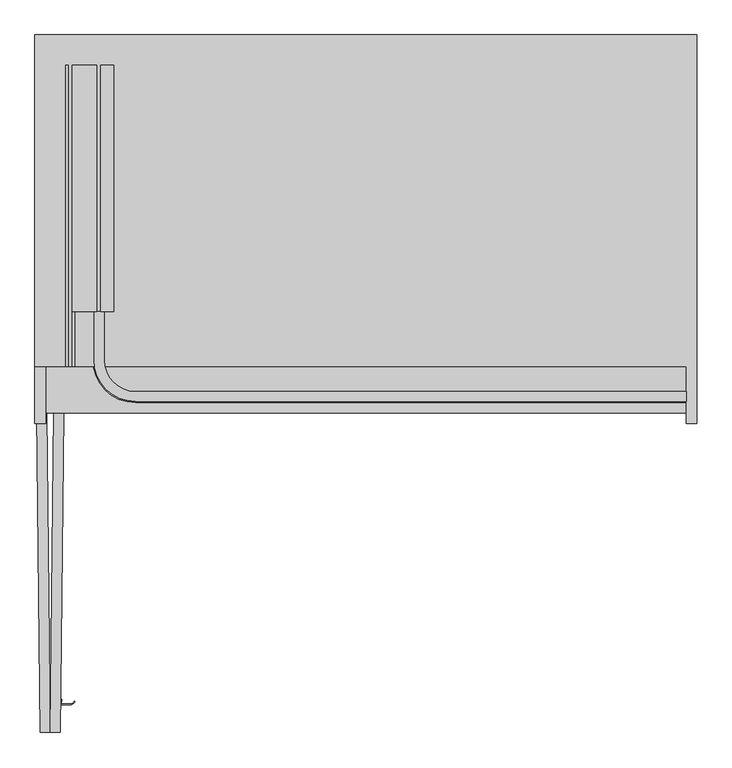
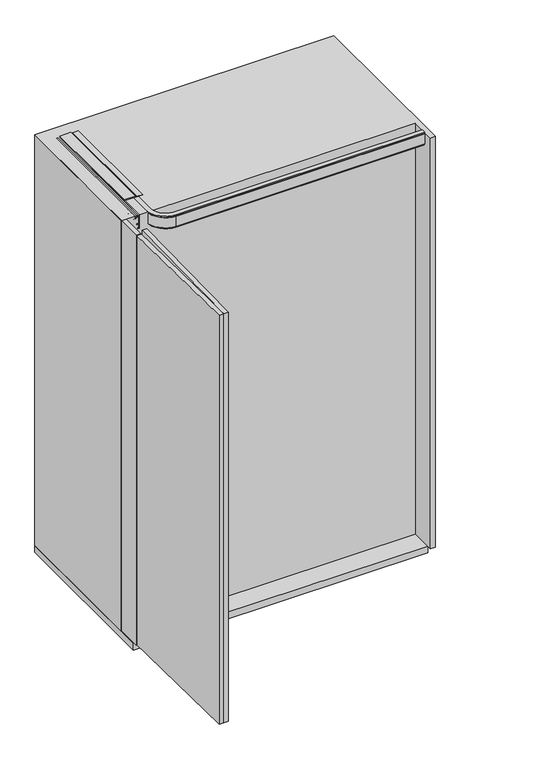
"""IFC4 building model written with IfcOpenShell, lengths in millimetres: furniture geometry."""

import ifcopenshell
import ifcopenshell.guid

model = None  # the IFC model being written
_history = None  # IfcOwnerHistory: only IFC2X3 demands one
_inside = {}  # id of a spatial element -> (the spatial element, [elements in it])
_under = {}  # id of a project, library or spatial element -> (it, [spatial elements below it])
_declared = {}  # id of a project -> (the project, [libraries it declares])
_typed = {}  # id of a type object -> (the type object, [elements of that type])
_made_of = {}  # id of a material, layer set ... -> (it, [elements and type objects made of it])


def new_model(schema):
    """Start an empty IFC model of exactly this schema.

    Asked for "IFC4X3", IfcOpenShell would pick the latest addendum, in which some entities
    have other attributes; the version numbers below select the first issue.
    IFC2X3 requires an IfcOwnerHistory on every rooted entity: one is made here for all.
    """
    global model, _history
    if schema == "IFC4X3":
        model = ifcopenshell.file(schema_version=(4, 3, 0, 0))
    else:
        model = ifcopenshell.file(schema=schema)
    _inside.clear()
    _under.clear()
    _declared.clear()
    _typed.clear()
    _made_of.clear()
    _history = None
    if model.schema == "IFC2X3":
        org = make("IfcOrganization", Name="unknown")
        user = make(
            "IfcPersonAndOrganization",
            ThePerson=make("IfcPerson", FamilyName="unknown"),
            TheOrganization=org,
        )
        app = make(
            "IfcApplication",
            ApplicationDeveloper=org,
            Version="unknown",
            ApplicationFullName="unknown",
            ApplicationIdentifier="unknown",
        )
        _history = make(
            "IfcOwnerHistory",
            OwningUser=user,
            OwningApplication=app,
            ChangeAction="ADDED",
            CreationDate=0,
        )
    return model


def make(cls, **values):
    """One entity of the class cls with the attributes given. An attribute that is None is left unset."""
    return model.create_entity(
        cls, **{name: value for name, value in values.items() if value is not None}
    )


def rooted(cls, **values):
    """An entity with a GlobalId (a new one), such as an element, a storey or a relation."""
    return make(cls, GlobalId=ifcopenshell.guid.new(), OwnerHistory=_history, **values)


def si_unit(unit_type, name, prefix=None):
    """IfcSIUnit, for example si_unit("LENGTHUNIT", "METRE", prefix="MILLI")."""
    return make("IfcSIUnit", UnitType=unit_type, Prefix=prefix, Name=name)


def assignment(units):
    """IfcUnitAssignment: the units of a project."""
    return None if units is None else make("IfcUnitAssignment", Units=units)


def point(xyz):
    """IfcCartesianPoint."""
    return None if xyz is None else make("IfcCartesianPoint", Coordinates=xyz)


def direction(xyz):
    """IfcDirection."""
    return None if xyz is None else make("IfcDirection", DirectionRatios=xyz)


def frame(location, z_axis=None, x_axis=None):
    """IfcAxis2Placement3D, a coordinate frame: its origin and axes. An axis left out is left unset."""
    return make(
        "IfcAxis2Placement3D",
        Location=point(location),
        Axis=direction(z_axis),
        RefDirection=direction(x_axis),
    )


def frame_2d(location, x_axis=None):
    """IfcAxis2Placement2D, a coordinate frame in the plane: its origin and x axis."""
    return make(
        "IfcAxis2Placement2D", Location=point(location), RefDirection=direction(x_axis)
    )


def origin():
    """The frame at (0, 0, 0) with its axes left unset."""
    return frame((0.0, 0.0, 0.0))


def origin_with_axes():
    """The frame at (0, 0, 0) with the z axis (0, 0, 1) and the x axis (1, 0, 0) written out."""
    return frame((0.0, 0.0, 0.0), z_axis=(0.0, 0.0, 1.0), x_axis=(1.0, 0.0, 0.0))


def place(relative_to, where):
    """IfcLocalPlacement: puts the frame where relative to a parent placement (None: the world)."""
    return make(
        "IfcLocalPlacement", PlacementRelTo=relative_to, RelativePlacement=where
    )


def context(
    kind, dimensions, precision=None, world=None, true_north=None, identifier=None
):
    """IfcGeometricRepresentationContext, for example the 3D "Model" context."""
    return make(
        "IfcGeometricRepresentationContext",
        ContextIdentifier=identifier,
        ContextType=kind,
        CoordinateSpaceDimension=dimensions,
        Precision=precision,
        WorldCoordinateSystem=world,
        TrueNorth=true_north,
    )


def project(units=None, contexts=None):
    """IfcProject with its units and contexts."""
    return rooted(
        "IfcProject",
        Name="project",
        RepresentationContexts=contexts,
        UnitsInContext=assignment(units),
    )


def spatial(cls, under=None, at=None, **own):
    """A site, building, storey or space (cls), placed at a placement, below another one or the project."""
    s = rooted(cls, ObjectPlacement=at, **own)
    if under is not None:
        _under.setdefault(under.id(), (under, []))[1].append(s)
    return s


def polyline(points):
    """IfcPolyline through the points."""
    return make("IfcPolyline", Points=[point(p) for p in points])


def circle_curve(where, radius):
    """IfcCircle in the frame where."""
    return make("IfcCircle", Position=where, Radius=radius)


def trimmed(basis, trim1, trim2, sense, master):
    """IfcTrimmedCurve: the piece of a basis curve between two trims."""
    return make(
        "IfcTrimmedCurve",
        BasisCurve=basis,
        Trim1=trim1,
        Trim2=trim2,
        SenseAgreement=sense,
        MasterRepresentation=master,
    )


def segment(curve, same_sense, transition):
    """IfcCompositeCurveSegment."""
    return make(
        "IfcCompositeCurveSegment",
        Transition=transition,
        SameSense=same_sense,
        ParentCurve=curve,
    )


def composite_curve(segments, self_intersect=None):
    """IfcCompositeCurve: segments joined end to end."""
    return make("IfcCompositeCurve", Segments=segments, SelfIntersect=self_intersect)


def outline(outer, holes=None, kind="AREA"):
    """IfcArbitraryClosedProfileDef: a profile drawn as a closed curve; with holes, ...WithVoids."""
    if holes is None:
        return make("IfcArbitraryClosedProfileDef", ProfileType=kind, OuterCurve=outer)
    return make(
        "IfcArbitraryProfileDefWithVoids",
        ProfileType=kind,
        OuterCurve=outer,
        InnerCurves=holes,
    )


def extrude(swept, where, along, depth):
    """IfcExtrudedAreaSolid: the profile swept, set in the frame where, extruded along a direction by depth."""
    return make(
        "IfcExtrudedAreaSolid",
        SweptArea=swept,
        Position=where,
        ExtrudedDirection=direction(along),
        Depth=depth,
    )


def faces_of(points, faces, orient=None, outer=None):
    """IfcFace entities. A face is a list of loops; a loop is a list of indices into points, from 0.

    orient and outer hold one flag for each loop. By default every Orientation is true, the
    first loop of a face is its IfcFaceOuterBound and the others are IfcFaceBound.
    """
    made = []
    for i, loops in enumerate(faces):
        bounds = []
        for j, loop in enumerate(loops):
            is_outer = j == 0 if outer is None else outer[i][j]
            bounds.append(
                make(
                    "IfcFaceOuterBound" if is_outer else "IfcFaceBound",
                    Bound=make("IfcPolyLoop", Polygon=[points[k] for k in loop]),
                    Orientation=True if orient is None else orient[i][j],
                )
            )
        made.append(make("IfcFace", Bounds=bounds))
    return made


def faceted_brep(points, faces, orient=None, outer=None, voids=None):
    """IfcFacetedBrep: a solid bounded by flat faces; with voids (closed shells), ...WithVoids."""
    shared = [point(p) for p in points]
    hull = make("IfcClosedShell", CfsFaces=faces_of(shared, faces, orient, outer))
    if voids is None:
        return make("IfcFacetedBrep", Outer=hull)
    return make(
        "IfcFacetedBrepWithVoids",
        Outer=hull,
        Voids=[
            make(cls, CfsFaces=faces_of(shared, fs, o, b)) for cls, fs, o, b in voids
        ],
    )


def shape(context_of_items, identifier, shape_type, items):
    """IfcShapeRepresentation: the items that make up one representation, for example the "Body"."""
    return make(
        "IfcShapeRepresentation",
        ContextOfItems=context_of_items,
        RepresentationIdentifier=identifier,
        RepresentationType=shape_type,
        Items=items,
    )


def source(mapping_origin, context_of_items, identifier, shape_type, items):
    """IfcRepresentationMap: a shape defined once, which mapped items show again and again."""
    return make(
        "IfcRepresentationMap",
        MappingOrigin=mapping_origin,
        MappedRepresentation=shape(context_of_items, identifier, shape_type, items),
    )


def transform(
    local_origin,
    x_axis=None,
    y_axis=None,
    z_axis=None,
    scale=None,
    scale2=None,
    scale3=None,
    uniform=True,
):
    """IfcCartesianTransformationOperator3D, or its non-uniform kind. x_axis, y_axis, z_axis: its Axis1, 2, 3."""
    if uniform:
        return make(
            "IfcCartesianTransformationOperator3D",
            Axis1=direction(x_axis),
            Axis2=direction(y_axis),
            LocalOrigin=point(local_origin),
            Scale=scale,
            Axis3=direction(z_axis),
        )
    return make(
        "IfcCartesianTransformationOperator3DnonUniform",
        Axis1=direction(x_axis),
        Axis2=direction(y_axis),
        LocalOrigin=point(local_origin),
        Scale=scale,
        Axis3=direction(z_axis),
        Scale2=scale2,
        Scale3=scale3,
    )


def mapped(mapping_source, mapping_target):
    """IfcMappedItem: shows the shape of a source again, moved by a transform."""
    return make(
        "IfcMappedItem", MappingSource=mapping_source, MappingTarget=mapping_target
    )


def made_of(thing, what):
    """Note that an element or type object is made of a material, layer set ...; save() writes the relation."""
    if what is not None:
        _made_of.setdefault(what.id(), (what, []))[1].append(thing)
    return thing


def element(
    cls,
    number,
    at=None,
    inside=None,
    cuts=None,
    type_object=None,
    material=None,
    context=None,
    identifier="Body",
    shape_type=None,
    held_by="IfcProductDefinitionShape",
    body=None,
    shapes=None,
    **own,
):
    """One element of the class cls, such as IfcWall. Its Tag is "e" and its number.

    at: its placement. inside: the storey or other place that contains it. cuts: it is an
    opening in that element (IfcRelVoidsElement). A single representation is given by context,
    identifier, shape_type and body (its items); several are given by shapes. held_by: the class
    of the entity that holds the representations. save() writes the other relations.
    """
    e = rooted(cls, Tag="e%d" % number, ObjectPlacement=at, **own)
    if body is not None:
        shapes = [shape(context, identifier, shape_type, body)]
    if shapes is not None:
        e.Representation = make(held_by, Representations=shapes)
    if inside is not None:
        _inside.setdefault(inside.id(), (inside, []))[1].append(e)
    if cuts is not None:
        rooted(
            "IfcRelVoidsElement", RelatingBuildingElement=cuts, RelatedOpeningElement=e
        )
    if type_object is not None:
        _typed.setdefault(type_object.id(), (type_object, []))[1].append(e)
    return made_of(e, material)


def aggregate(whole, parts):
    """IfcRelAggregates: a whole, such as a stair, and the parts it consists of."""
    return rooted("IfcRelAggregates", RelatingObject=whole, RelatedObjects=parts)


def save(model, path):
    """Write the relations noted so far, then the file.

    IfcRelAggregates (storeys below a building ...), IfcRelContainedInSpatialStructure (elements
    in a storey), IfcRelDefinesByType, IfcRelAssociatesMaterial and IfcRelDeclares: one each for
    every whole, place, type object, material and project.
    """
    for whole, parts in _under.values():
        aggregate(whole, parts)
    for where, things in _inside.values():
        rooted(
            "IfcRelContainedInSpatialStructure",
            RelatedElements=things,
            RelatingStructure=where,
        )
    for kind, things in _typed.values():
        rooted("IfcRelDefinesByType", RelatedObjects=things, RelatingType=kind)
    for what, things in _made_of.values():
        rooted("IfcRelAssociatesMaterial", RelatedObjects=things, RelatingMaterial=what)
    for by, libraries in _declared.values():
        rooted("IfcRelDeclares", RelatingContext=by, RelatedDefinitions=libraries)
    model.write(path)


def plane_surface(at):
    """IfcPlane: the flat surface through the origin of the frame at, square to its z axis."""
    return make("IfcPlane", Position=at)


def cylinder_surface(at, radius):
    """IfcCylindricalSurface: all points at the distance radius from the z axis of the frame at."""
    return make("IfcCylindricalSurface", Position=at, Radius=radius)


def revolved_surface(curve, axis_point, axis_direction):
    """IfcSurfaceOfRevolution: the curve turned about the line through axis_point along axis_direction."""
    return make(
        "IfcSurfaceOfRevolution",
        SweptCurve=make("IfcArbitraryOpenProfileDef", ProfileType="CURVE", Curve=curve),
        AxisPosition=make("IfcAxis1Placement", Location=point(axis_point), Axis=direction(axis_direction)),
    )


def advanced_brep(points, edges, surfaces, faces):
    """IfcAdvancedBrep: a solid bounded by faces that lie on surfaces and meet in shared edges.

    An edge is (start, end): straight between two places in points (the first is 0);
    or (start, end, curve); or (start, end, curve, False) where it runs against its curve.
    A face is (place in surfaces, loops), or (place, loops, False) where it looks against
    its surface's normal. A loop lists edges by number (the first is 1), with a minus sign
    where the edge is run from its end to its start. The first loop is the outer one.
    """
    corners = [point(p) for p in points]
    vertices = [make("IfcVertexPoint", VertexGeometry=c) for c in corners]
    made = []
    for start, end, *more in edges:
        made.append(
            make(
                "IfcEdgeCurve",
                EdgeStart=vertices[start],
                EdgeEnd=vertices[end],
                EdgeGeometry=more[0] if more else make("IfcPolyline", Points=[corners[start], corners[end]]),
                SameSense=more[1] if len(more) > 1 else True,
            )
        )
    hull = []
    for where, loops, *sense in faces:
        bounds = []
        for j, loop in enumerate(loops):
            ring = [make("IfcOrientedEdge", EdgeElement=made[abs(k) - 1], Orientation=k > 0) for k in loop]
            bounds.append(
                make(
                    "IfcFaceOuterBound" if j == 0 else "IfcFaceBound",
                    Bound=make("IfcEdgeLoop", EdgeList=ring),
                    Orientation=True,
                )
            )
        hull.append(make("IfcAdvancedFace", Bounds=bounds, FaceSurface=surfaces[where], SameSense=sense[0] if sense else True))
    return make("IfcAdvancedBrep", Outer=make("IfcClosedShell", CfsFaces=hull))


def furniture_e0905cbe(model_context):
    return source(origin(), model_context, "Body", "SolidModel", [
        extrude(outline(composite_curve([segment(polyline([(-80.0839475, -634.1973844), (-63.0662103, -634.3904043)]), True, "CONTINUOUS"), segment(trimmed(circle_curve(frame_2d((-62.9869864, -627.4055722)), 6.9852814), [point((-63.0662103, -634.3904043))], [point((-56.2606613, -629.2899041))], True, "CARTESIAN"), True, "CONTINUOUS"), segment(polyline([(-56.2606613, -629.2899041), (-54.8162689, -629.6945404)]), True, "CONTINUOUS"), segment(trimmed(circle_curve(frame_2d((-62.9869864, -627.4055722)), 8.4852814), [point((-54.8162689, -629.6945404))], [point((-63.0832226, -635.8903078))], False, "CARTESIAN"), True, "CONTINUOUS"), segment(polyline([(-63.0832226, -635.8903078), (-81.6008634, -635.6802756), (-81.4874479, -625.6809188), (-79.9875444, -625.6979311), (-80.0839475, -634.1973844)]), True, "CONTINUOUS")], self_intersect=False)), frame((0.0, 0.0, 1110.0), z_axis=(0.0, 0.0, 1.0), x_axis=(1.0, 0.0, 0.0)), (0.0, 0.0, 1.0), 180.0),
        extrude(outline(polyline([(1807.9932635, 18.0), (1807.9932635, -6.170682), (1804.7432635, -6.170682), (1804.7432635, -3.85), (1802.2932635, -3.85), (1802.2932635, -15.85), (1804.7432635, -15.85), (1804.7432635, -13.6), (1810.9932635, -13.6), (1810.9932635, -59.4403391), (1807.0, -56.6442259), (1807.0, -60.2560852), (1801.0432635, -60.2560852), (1801.0432635, -58.0), (1798.7432635, -58.0), (1798.7432635, -70.0), (1801.0432635, -70.0), (1801.0432635, -67.75), (1803.6432635, -67.75), (1803.6432635, -72.0), (1795.3932635, -72.0), (1795.3932635, -67.5), (1792.7432635, -67.5), (1792.7432635, -69.75), (1790.7432635, -69.75), (1790.7432635, -58.25), (1792.7432635, -58.25), (1792.7432635, -60.5), (1795.3932635, -60.5), (1795.3932635, -55.0), (1807.0, -55.0), (1807.0, -20.85), (1752.9932635, -20.85), (1752.9932635, -14.4), (1759.2932635, -8.1), (1760.7932635, -8.1), (1760.7932635, -18.1), (1798.3932635, -18.1), (1798.3932635, -3.85), (1791.8932635, -3.85), (1791.8932635, 0.0), (1804.0042028, 0.0), (1804.0042028, 18.0), (1807.9932635, 18.0)])), frame((0.0, 102.7851791, 0.0), z_axis=(0.0, 1.0, 0.0), x_axis=(0.0, 0.0, 1.0)), (0.0, 0.0, 1.0), 463.2148209),
        advanced_brep(
        [(1094.0, -47.150158, 1791.899902), (1094.0, -47.150158, 1807.0), (1094.0, -66.000134, 1807.0), (1094.0, -66.000134, 1802.2), (1094.0, -68.000134, 1802.2), (1094.0, -68.000134, 1757.8), (1094.0, -66.000134, 1757.8), (1094.0, -66.000134, 1753.0), (1094.0, -61.000134, 1753.0), (1094.0, -61.000134, 1757.8), (1094.0, -55.250134, 1757.8), (1094.0, -55.250134, 1760.8), (1094.0, -65.250134, 1760.8), (1094.0, -65.250134, 1798.4), (1094.0, -51.050134, 1798.4), (1094.0, -51.050134, 1791.899902), (-2.4e-05, 102.7851791, 1791.899902), (-3.9, 102.7851791, 1791.899902), (-3.9, 102.7851791, 1798.4), (-18.1, 102.7851791, 1798.4), (-18.1, 102.7851791, 1760.8), (-8.1, 102.7851791, 1760.8), (-8.1, 102.7851791, 1757.8), (-13.85, 102.7851791, 1757.8), (-13.85, 102.7851791, 1753.0), (-18.85, 102.7851791, 1753.0), (-18.85, 102.7851791, 1757.8), (-20.85, 102.7851791, 1757.8), (-20.85, 102.7851791, 1802.2), (-18.85, 102.7851791, 1802.2), (-18.85, 102.7851791, 1807.0), (-2.4e-05, 102.7851791, 1807.0), (59.150134, -47.150158, 1791.899902), (59.150134, -47.150158, 1807.0), (-2.4e-05, 12.0, 1807.0), (-18.85, 12.0, 1807.0), (59.150134, -66.000134, 1807.0), (59.150134, -66.000134, 1802.2), (-18.85, 12.0, 1802.2), (-20.85, 12.0, 1802.2), (59.150134, -68.000134, 1802.2), (59.150134, -68.000134, 1757.8), (-20.85, 12.0, 1757.8), (-18.85, 12.0, 1757.8), (59.150134, -66.000134, 1757.8), (59.150134, -66.000134, 1753.0), (-18.85, 12.0, 1753.0), (-13.85, 12.0, 1753.0), (59.150134, -61.000134, 1753.0), (59.150134, -61.000134, 1757.8), (-13.85, 12.0, 1757.8), (-8.1, 12.0, 1757.8), (59.150134, -55.250134, 1757.8), (59.150134, -55.250134, 1760.8), (-8.1, 12.0, 1760.8), (-18.1, 12.0, 1760.8), (59.150134, -65.250134, 1760.8), (59.150134, -65.250134, 1798.4), (-18.1, 12.0, 1798.4), (-3.9, 12.0, 1798.4), (59.150134, -51.050134, 1798.4), (59.150134, -51.050134, 1791.899902), (-3.9, 12.0, 1791.899902), (-2.4e-05, 12.0, 1791.899902)],
        [
            (0, 1),
            (1, 2),
            (2, 3),
            (3, 4),
            (4, 5),
            (5, 6),
            (6, 7),
            (7, 8),
            (8, 9),
            (9, 10),
            (10, 11),
            (11, 12),
            (12, 13),
            (13, 14),
            (14, 15),
            (15, 0),
            (16, 17),
            (17, 18),
            (18, 19),
            (19, 20),
            (20, 21),
            (21, 22),
            (22, 23),
            (23, 24),
            (24, 25),
            (25, 26),
            (26, 27),
            (27, 28),
            (28, 29),
            (29, 30),
            (30, 31),
            (31, 16),
            (0, 32),
            (32, 33),
            (33, 1),
            (33, 34, circle_curve(frame((59.150134, 12.0, 1807.0), z_axis=(0.0, 0.0, -1.0), x_axis=(0.0, -1.0, 0.0)), 59.150158)),
            (34, 31),
            (30, 35),
            (35, 36, circle_curve(frame((59.150134, 12.0, 1807.0), z_axis=(0.0, 0.0, 1.0), x_axis=(0.0, -1.0, 0.0)), 78.000134)),
            (36, 2),
            (36, 37),
            (37, 3),
            (37, 38, circle_curve(frame((59.150134, 12.0, 1802.2), z_axis=(0.0, 0.0, -1.0), x_axis=(0.0, -1.0, 0.0)), 78.000134)),
            (38, 29),
            (28, 39),
            (39, 40, circle_curve(frame((59.150134, 12.0, 1802.2), z_axis=(0.0, 0.0, 1.0), x_axis=(0.0, -1.0, 0.0)), 80.000134)),
            (40, 4),
            (40, 41),
            (41, 5),
            (41, 42, circle_curve(frame((59.150134, 12.0, 1757.8), z_axis=(0.0, 0.0, -1.0), x_axis=(0.0, -1.0, 0.0)), 80.000134)),
            (42, 27),
            (26, 43),
            (43, 44, circle_curve(frame((59.150134, 12.0, 1757.8), z_axis=(0.0, 0.0, 1.0), x_axis=(0.0, -1.0, 0.0)), 78.000134)),
            (44, 6),
            (44, 45),
            (45, 7),
            (45, 46, circle_curve(frame((59.150134, 12.0, 1753.0), z_axis=(0.0, 0.0, -1.0), x_axis=(0.0, -1.0, 0.0)), 78.000134)),
            (46, 25),
            (24, 47),
            (47, 48, circle_curve(frame((59.150134, 12.0, 1753.0), z_axis=(0.0, 0.0, 1.0), x_axis=(0.0, -1.0, 0.0)), 73.000134)),
            (48, 8),
            (48, 49),
            (49, 9),
            (49, 50, circle_curve(frame((59.150134, 12.0, 1757.8), z_axis=(0.0, 0.0, -1.0), x_axis=(0.0, -1.0, 0.0)), 73.000134)),
            (50, 23),
            (22, 51),
            (51, 52, circle_curve(frame((59.150134, 12.0, 1757.8), z_axis=(0.0, 0.0, 1.0), x_axis=(0.0, -1.0, 0.0)), 67.250134)),
            (52, 10),
            (52, 53),
            (53, 11),
            (53, 54, circle_curve(frame((59.150134, 12.0, 1760.8), z_axis=(0.0, 0.0, -1.0), x_axis=(0.0, -1.0, 0.0)), 67.250134)),
            (54, 21),
            (20, 55),
            (55, 56, circle_curve(frame((59.150134, 12.0, 1760.8), z_axis=(0.0, 0.0, 1.0), x_axis=(0.0, -1.0, 0.0)), 77.250134)),
            (56, 12),
            (56, 57),
            (57, 13),
            (57, 58, circle_curve(frame((59.150134, 12.0, 1798.4), z_axis=(0.0, 0.0, -1.0), x_axis=(0.0, -1.0, 0.0)), 77.250134)),
            (58, 19),
            (18, 59),
            (59, 60, circle_curve(frame((59.150134, 12.0, 1798.4), z_axis=(0.0, 0.0, 1.0), x_axis=(0.0, -1.0, 0.0)), 63.050134)),
            (60, 14),
            (60, 61),
            (61, 15),
            (61, 62, circle_curve(frame((59.150134, 12.0, 1791.899902), z_axis=(0.0, 0.0, -1.0), x_axis=(0.0, -1.0, 0.0)), 63.050134)),
            (62, 17),
            (16, 63),
            (63, 32, circle_curve(frame((59.150134, 12.0, 1791.899902), z_axis=(0.0, 0.0, 1.0), x_axis=(0.0, -1.0, 0.0)), 59.150158)),
            (63, 34),
            (35, 38),
            (39, 42),
            (43, 46),
            (47, 50),
            (51, 54),
            (55, 58),
            (59, 62),
        ],
        [
            plane_surface(frame((1094.0, -88.0, 1807.0), z_axis=(1.0, 0.0, 0.0), x_axis=(0.0, 0.0, 1.0))),
            plane_surface(frame((-40.849866, 102.7851791, 1807.0), z_axis=(0.0, 1.0, 0.0), x_axis=(0.0, 0.0, 1.0))),
            plane_surface(frame((1094.0, -47.150158, 1791.899902), z_axis=(0.0, 1.0, 0.0), x_axis=(-1.0, 0.0, 0.0))),
            plane_surface(frame((1094.0, -47.150158, 1807.0), z_axis=(0.0, 0.0, 1.0), x_axis=(-1.0, 0.0, 0.0))),
            plane_surface(frame((1094.0, -66.000134, 1807.0), z_axis=(0.0, -1.0, 0.0), x_axis=(-1.0, 0.0, 0.0))),
            plane_surface(frame((1094.0, -66.000134, 1802.2), z_axis=(0.0, 0.0, 1.0), x_axis=(-1.0, 0.0, 0.0))),
            plane_surface(frame((1094.0, -68.000134, 1802.2), z_axis=(0.0, -1.0, 0.0), x_axis=(-1.0, 0.0, 0.0))),
            plane_surface(frame((1094.0, -68.000134, 1757.8), z_axis=(0.0, 0.0, -1.0), x_axis=(-1.0, 0.0, 0.0))),
            plane_surface(frame((1094.0, -66.000134, 1757.8), z_axis=(0.0, -1.0, 0.0), x_axis=(-1.0, 0.0, 0.0))),
            plane_surface(frame((1094.0, -66.000134, 1753.0), z_axis=(0.0, 0.0, -1.0), x_axis=(-1.0, 0.0, 0.0))),
            plane_surface(frame((1094.0, -61.000134, 1753.0), z_axis=(0.0, 1.0, 0.0), x_axis=(-1.0, 0.0, 0.0))),
            plane_surface(frame((1094.0, -61.000134, 1757.8), z_axis=(0.0, 0.0, -1.0), x_axis=(-1.0, 0.0, 0.0))),
            plane_surface(frame((1094.0, -55.250134, 1757.8), z_axis=(0.0, 1.0, 0.0), x_axis=(-1.0, 0.0, 0.0))),
            plane_surface(frame((1094.0, -55.250134, 1760.8), z_axis=(0.0, 0.0, 1.0), x_axis=(-1.0, 0.0, 0.0))),
            plane_surface(frame((1094.0, -65.250134, 1760.8), z_axis=(0.0, 1.0, 0.0), x_axis=(-1.0, 0.0, 0.0))),
            plane_surface(frame((1094.0, -65.250134, 1798.4), z_axis=(0.0, 0.0, -1.0), x_axis=(-1.0, 0.0, 0.0))),
            plane_surface(frame((1094.0, -51.050134, 1798.4), z_axis=(0.0, -1.0, 0.0), x_axis=(-1.0, 0.0, 0.0))),
            plane_surface(frame((1094.0, -51.050134, 1791.899902), z_axis=(0.0, 0.0, -1.0), x_axis=(-1.0, 0.0, 0.0))),
            revolved_surface(polyline([(59.150134, -47.150158, 1791.899902), (59.150134, -47.150158, 1807.0)]), (59.150134, 12.0, 1807.0), (0.0, 0.0, -1.0)),
            cylinder_surface(frame((59.150134, 12.0, 1807.0), z_axis=(0.0, 0.0, -1.0), x_axis=(0.0, -1.0, 0.0)), 78.000134),
            cylinder_surface(frame((59.150134, 12.0, 1807.0), z_axis=(0.0, 0.0, -1.0), x_axis=(0.0, -1.0, 0.0)), 80.000134),
            revolved_surface(polyline([(59.150134, -61.000134, 1753.0), (59.150134, -61.000134, 1757.8)]), (59.150134, 12.0, 1807.0), (0.0, 0.0, -1.0)),
            revolved_surface(polyline([(59.150134, -55.250134, 1757.8), (59.150134, -55.250134, 1760.8)]), (59.150134, 12.0, 1807.0), (0.0, 0.0, -1.0)),
            revolved_surface(polyline([(59.150134, -65.250134, 1760.8), (59.150134, -65.250134, 1798.4)]), (59.150134, 12.0, 1807.0), (0.0, 0.0, -1.0)),
            cylinder_surface(frame((59.150134, 12.0, 1807.0), z_axis=(0.0, 0.0, -1.0), x_axis=(0.0, -1.0, 0.0)), 63.050134),
            plane_surface(frame((-2.4e-05, 12.0, 1791.899902), z_axis=(1.0, 0.0, 0.0), x_axis=(0.0, 1.0, 0.0))),
            plane_surface(frame((-18.85, 12.0, 1807.0), z_axis=(-1.0, 0.0, 0.0), x_axis=(0.0, 1.0, 0.0))),
            plane_surface(frame((-20.85, 12.0, 1802.2), z_axis=(-1.0, 0.0, 0.0), x_axis=(0.0, 1.0, 0.0))),
            plane_surface(frame((-18.85, 12.0, 1757.8), z_axis=(-1.0, 0.0, 0.0), x_axis=(0.0, 1.0, 0.0))),
            plane_surface(frame((-13.85, 12.0, 1753.0), z_axis=(1.0, 0.0, 0.0), x_axis=(0.0, 1.0, 0.0))),
            plane_surface(frame((-8.1, 12.0, 1757.8), z_axis=(1.0, 0.0, 0.0), x_axis=(0.0, 1.0, 0.0))),
            plane_surface(frame((-18.1, 12.0, 1760.8), z_axis=(1.0, 0.0, 0.0), x_axis=(0.0, 1.0, 0.0))),
            plane_surface(frame((-3.9, 12.0, 1798.4), z_axis=(-1.0, 0.0, 0.0), x_axis=(0.0, 1.0, 0.0))),
        ],
        [
            (0, [[1, 2, 3, 4, 5, 6, 7, 8, 9, 10, 11, 12, 13, 14, 15, 16]]),
            (1, [[17, 18, 19, 20, 21, 22, 23, 24, 25, 26, 27, 28, 29, 30, 31, 32]]),
            (2, [[-1, 33, 34, 35]]),
            (3, [[-2, -35, 36, 37, -31, 38, 39, 40]]),
            (4, [[-3, -40, 41, 42]]),
            (5, [[-4, -42, 43, 44, -29, 45, 46, 47]]),
            (6, [[-5, -47, 48, 49]]),
            (7, [[-6, -49, 50, 51, -27, 52, 53, 54]]),
            (8, [[-7, -54, 55, 56]]),
            (9, [[-8, -56, 57, 58, -25, 59, 60, 61]]),
            (10, [[-9, -61, 62, 63]]),
            (11, [[-10, -63, 64, 65, -23, 66, 67, 68]]),
            (12, [[-11, -68, 69, 70]]),
            (13, [[-12, -70, 71, 72, -21, 73, 74, 75]]),
            (14, [[-13, -75, 76, 77]]),
            (15, [[-14, -77, 78, 79, -19, 80, 81, 82]]),
            (16, [[-15, -82, 83, 84]]),
            (17, [[-16, -84, 85, 86, -17, 87, 88, -33]]),
            (18, [[-36, -34, -88, 89]]),
            (19, [[-43, -41, -39, 90]]),
            (20, [[-50, -48, -46, 91]]),
            (19, [[-57, -55, -53, 92]]),
            (21, [[-64, -62, -60, 93]]),
            (22, [[-71, -69, -67, 94]]),
            (23, [[-78, -76, -74, 95]]),
            (24, [[-85, -83, -81, 96]]),
            (25, [[-89, -87, -32, -37]]),
            (26, [[-90, -38, -30, -44]]),
            (27, [[-91, -45, -28, -51]]),
            (28, [[-92, -52, -26, -58]]),
            (29, [[-93, -59, -24, -65]]),
            (30, [[-94, -66, -22, -72]]),
            (31, [[-95, -73, -20, -79]]),
            (32, [[-96, -80, -18, -86]]),
        ],
    ),
        extrude(outline(polyline([(-94.390145, -88.0), (-75.391367, -88.2154894), (-82.1962945, -688.1768989), (-101.1950725, -687.9614096), (-94.390145, -88.0)])), frame((0.0, 0.0, 5.0), z_axis=(0.0, 0.0, 1.0), x_axis=(1.0, 0.0, 0.0)), (0.0, 0.0, 1.0), 1800.0),
        extrude(outline(polyline([(-126.998778, -88.2154894), (-108.0, -88.0), (-101.1950725, -687.9614096), (-120.1938505, -688.1768989), (-126.998778, -88.2154894)])), frame((0.0, 0.0, 5.0), z_axis=(0.0, 0.0, 1.0), x_axis=(1.0, 0.0, 0.0)), (0.0, 0.0, 1.0), 1800.0),
        advanced_brep(
        [(-75.6336873, 23.1375322, 1765.724276), (-75.6336873, 23.1375322, 1733.0547299), (-63.4737348, 23.1375322, 1733.0547299), (-63.4737348, 23.1375322, 1761.3495777), (-67.2507667, 23.1375322, 1761.3495777), (-71.625465, 23.1375322, 1765.724276), (-75.6336873, 82.3672808, 1765.724276), (-71.625465, 82.3672808, 1765.724276), (-67.2507667, 82.3672808, 1761.3495777), (-63.4737348, 82.3672808, 1761.3495777), (-63.4737348, 82.3672808, 1733.0547299), (-75.6336873, 82.3672808, 1733.0547299), (-63.4737348, 33.0799821, 1758.673583), (-63.4737348, 39.5123773, 1758.673583), (-63.4737348, 39.5123773, 1754.158508), (-63.4737348, 33.0799821, 1754.158508), (-63.4737348, 26.647587, 1754.158508), (-63.4737348, 26.647587, 1758.673583), (-63.4737348, 72.4549821, 1758.673583), (-63.4737348, 78.8873773, 1758.673583), (-63.4737348, 78.8873773, 1754.158508), (-63.4737348, 72.4549821, 1754.158508), (-63.4737348, 66.022587, 1754.158508), (-63.4737348, 66.022587, 1758.673583), (-57.5, 33.0799821, 1758.673583), (-57.5, 33.0799821, 1754.158508), (-57.5, 72.4549821, 1758.673583), (-57.5, 72.4549821, 1754.158508)],
        [
            (0, 1),
            (1, 2),
            (2, 3),
            (3, 4),
            (4, 5),
            (5, 0),
            (6, 7),
            (7, 8),
            (8, 9),
            (9, 10),
            (10, 11),
            (11, 6),
            (0, 6),
            (11, 1),
            (10, 2),
            (9, 3),
            (12, 13),
            (13, 14),
            (14, 15),
            (15, 16),
            (16, 17),
            (17, 12),
            (18, 19),
            (19, 20),
            (20, 21),
            (21, 22),
            (22, 23),
            (23, 18),
            (8, 4),
            (7, 5),
            (12, 24),
            (24, 13, circle_curve(frame((-63.950003, 33.0799821, 1758.673583), z_axis=(0.0, 0.0, 1.0), x_axis=(1.0, 0.0, 0.0)), 6.450003)),
            (17, 24, circle_curve(frame((-63.950003, 33.0799821, 1758.673583), z_axis=(0.0, 0.0, 1.0), x_axis=(1.0, 0.0, 0.0)), 6.450003)),
            (25, 15),
            (14, 25, circle_curve(frame((-63.950003, 33.0799821, 1754.158508), z_axis=(0.0, 0.0, -1.0), x_axis=(1.0, 0.0, 0.0)), 6.450003)),
            (25, 16, circle_curve(frame((-63.950003, 33.0799821, 1754.158508), z_axis=(0.0, 0.0, -1.0), x_axis=(1.0, 0.0, 0.0)), 6.450003)),
            (24, 25),
            (18, 26),
            (26, 19, circle_curve(frame((-63.950003, 72.4549821, 1758.673583), z_axis=(0.0, 0.0, 1.0), x_axis=(1.0, 0.0, 0.0)), 6.450003)),
            (23, 26, circle_curve(frame((-63.950003, 72.4549821, 1758.673583), z_axis=(0.0, 0.0, 1.0), x_axis=(1.0, 0.0, 0.0)), 6.450003)),
            (27, 21),
            (20, 27, circle_curve(frame((-63.950003, 72.4549821, 1754.158508), z_axis=(0.0, 0.0, -1.0), x_axis=(1.0, 0.0, 0.0)), 6.450003)),
            (27, 22, circle_curve(frame((-63.950003, 72.4549821, 1754.158508), z_axis=(0.0, 0.0, -1.0), x_axis=(1.0, 0.0, 0.0)), 6.450003)),
            (26, 27),
        ],
        [
            plane_surface(frame((-75.6336873, 23.1375322, 1765.724276), z_axis=(0.0, -1.0, 0.0), x_axis=(0.0, 0.0, -1.0))),
            plane_surface(frame((-75.6336873, 82.3672808, 1765.724276), z_axis=(0.0, 1.0, 0.0), x_axis=(0.0, 0.0, 1.0))),
            plane_surface(frame((-75.6336873, 23.1375322, 1765.724276), z_axis=(-1.0, 0.0, 0.0), x_axis=(0.0, 1.0, 0.0))),
            plane_surface(frame((-75.6336873, 23.1375322, 1733.0547299), z_axis=(0.0, 0.0, -1.0), x_axis=(0.0, 1.0, 0.0))),
            plane_surface(frame((-63.4737348, 23.1375322, 1733.0547299), z_axis=(1.0, 0.0, 0.0), x_axis=(0.0, 1.0, 0.0))),
            plane_surface(frame((-63.4737348, 23.1375322, 1761.3495777), z_axis=(0.0, 0.0, 1.0), x_axis=(0.0, 1.0, 0.0))),
            plane_surface(frame((-67.2507667, 23.1375322, 1761.3495777), z_axis=(0.7071067811865492, 0.0, 0.7071067811865459), x_axis=(0.0, 1.0, 0.0))),
            plane_surface(frame((-71.625465, 23.1375322, 1765.724276), z_axis=(0.0, 0.0, 1.0), x_axis=(0.0, 1.0, 0.0))),
            plane_surface(frame((-63.950003, 33.0799821, 1758.673583), z_axis=(0.0, 0.0, 1.0), x_axis=(1.0, 0.0, 0.0))),
            plane_surface(frame((-63.950003, 33.0799821, 1754.158508), z_axis=(0.0, 0.0, -1.0), x_axis=(1.0, 0.0, 0.0))),
            cylinder_surface(frame((-63.950003, 33.0799821, 1759.795738), z_axis=(0.0, 0.0, 1.0), x_axis=(1.0, 0.0, 0.0)), 6.450003),
            plane_surface(frame((-63.950003, 72.4549821, 1758.673583), z_axis=(0.0, 0.0, 1.0), x_axis=(1.0, 0.0, 0.0))),
            plane_surface(frame((-63.950003, 72.4549821, 1754.158508), z_axis=(0.0, 0.0, -1.0), x_axis=(1.0, 0.0, 0.0))),
            cylinder_surface(frame((-63.950003, 72.4549821, 1759.795738), z_axis=(0.0, 0.0, 1.0), x_axis=(1.0, 0.0, 0.0)), 6.450003),
        ],
        [
            (0, [[1, 2, 3, 4, 5, 6]]),
            (1, [[7, 8, 9, 10, 11, 12]]),
            (2, [[-1, 13, -12, 14]]),
            (3, [[-2, -14, -11, 15]]),
            (4, [[-3, -15, -10, 16], [17, 18, 19, 20, 21, 22], [23, 24, 25, 26, 27, 28]]),
            (5, [[-4, -16, -9, 29]]),
            (6, [[-5, -29, -8, 30]]),
            (7, [[-6, -30, -7, -13]]),
            (8, [[31, 32, -17]]),
            (8, [[-31, -22, 33]]),
            (9, [[34, -19, 35]]),
            (9, [[-34, 36, -20]]),
            (10, [[37, -35, -18, -32]]),
            (10, [[-37, -33, -21, -36]]),
            (11, [[38, 39, -23]]),
            (11, [[-38, -28, 40]]),
            (12, [[41, -25, 42]]),
            (12, [[-41, 43, -26]]),
            (13, [[44, -42, -24, -39]]),
            (13, [[-44, -40, -27, -43]]),
        ],
    ),
        advanced_brep(
        [(-67.900202, 72.4549821, 1784.308626), (-67.900202, 72.4549821, 1769.308626), (-67.900202, 72.4549821, 1799.308626), (-66.9872489, 72.4549821, 1769.308626), (-66.9872489, 72.4549821, 1799.308626), (-59.900202, 72.4549821, 1799.308626), (-59.900202, 72.4549821, 1769.308626), (-59.900202, 72.4549821, 1779.2712731), (-59.900202, 72.4549821, 1789.3459789), (-58.400202, 72.4549821, 1780.3215844), (-58.400202, 72.4549821, 1788.2956676), (-58.400202, 72.4549821, 1784.308626), (-60.9142761, 72.4549821, 1799.308626), (-60.9142761, 72.4549821, 1769.308626), (-62.91385, 72.4549821, 1797.3090521), (-62.91385, 72.4549821, 1771.3081999), (-64.9876751, 72.4549821, 1797.3090521), (-64.9876751, 72.4549821, 1771.3081999)],
        [
            (0, 1),
            (1, 2, circle_curve(frame((-67.900202, 72.4549821, 1784.308626), z_axis=(-1.0, 0.0, 0.0), x_axis=(0.0, 0.0, -1.0)), 15.0)),
            (2, 0),
            (2, 1, circle_curve(frame((-67.900202, 72.4549821, 1784.308626), z_axis=(-1.0, 0.0, 0.0), x_axis=(0.0, 0.0, -1.0)), 15.0)),
            (1, 3),
            (3, 4, circle_curve(frame((-66.9872489, 72.4549821, 1784.308626), z_axis=(-1.0, 0.0, 0.0), x_axis=(0.0, 0.0, -1.0)), 15.0)),
            (4, 2),
            (4, 3, circle_curve(frame((-66.9872489, 72.4549821, 1784.308626), z_axis=(-1.0, 0.0, 0.0), x_axis=(0.0, 0.0, -1.0)), 15.0)),
            (5, 6, circle_curve(frame((-59.900202, 72.4549821, 1784.308626), z_axis=(1.0, 0.0, 0.0), x_axis=(0.0, 0.0, -1.0)), 15.0)),
            (6, 7),
            (7, 8, circle_curve(frame((-59.900202, 72.4549821, 1784.308626), z_axis=(-1.0, 0.0, 0.0), x_axis=(0.0, 0.0, -1.0)), 5.0373529)),
            (8, 5),
            (6, 5, circle_curve(frame((-59.900202, 72.4549821, 1784.308626), z_axis=(1.0, 0.0, 0.0), x_axis=(0.0, 0.0, -1.0)), 15.0)),
            (8, 7, circle_curve(frame((-59.900202, 72.4549821, 1784.308626), z_axis=(-1.0, 0.0, 0.0), x_axis=(0.0, 0.0, -1.0)), 5.0373529)),
            (7, 9),
            (9, 10, circle_curve(frame((-58.400202, 72.4549821, 1784.308626), z_axis=(-1.0, 0.0, 0.0), x_axis=(0.0, 0.0, -1.0)), 3.9870416)),
            (10, 8),
            (10, 9, circle_curve(frame((-58.400202, 72.4549821, 1784.308626), z_axis=(-1.0, 0.0, 0.0), x_axis=(0.0, 0.0, -1.0)), 3.9870416)),
            (9, 11),
            (11, 10),
            (12, 13, circle_curve(frame((-60.9142761, 72.4549821, 1784.308626), z_axis=(1.0, 0.0, 0.0), x_axis=(0.0, 0.0, -1.0)), 15.0)),
            (13, 6),
            (5, 12),
            (13, 12, circle_curve(frame((-60.9142761, 72.4549821, 1784.308626), z_axis=(1.0, 0.0, 0.0), x_axis=(0.0, 0.0, -1.0)), 15.0)),
            (14, 15, circle_curve(frame((-62.91385, 72.4549821, 1784.308626), z_axis=(1.0, 0.0, 0.0), x_axis=(0.0, 0.0, -1.0)), 13.0004261)),
            (15, 13),
            (12, 14),
            (15, 14, circle_curve(frame((-62.91385, 72.4549821, 1784.308626), z_axis=(1.0, 0.0, 0.0), x_axis=(0.0, 0.0, -1.0)), 13.0004261)),
            (16, 17, circle_curve(frame((-64.9876751, 72.4549821, 1784.308626), z_axis=(1.0, 0.0, 0.0), x_axis=(0.0, 0.0, -1.0)), 13.0004261)),
            (17, 15),
            (14, 16),
            (17, 16, circle_curve(frame((-64.9876751, 72.4549821, 1784.308626), z_axis=(1.0, 0.0, 0.0), x_axis=(0.0, 0.0, -1.0)), 13.0004261)),
            (3, 17),
            (16, 4),
        ],
        [
            plane_surface(frame((-67.900202, 72.4549821, 1784.308626), z_axis=(-1.0, 0.0, 0.0), x_axis=(0.0, 0.0, -1.0))),
            cylinder_surface(frame((-58.400202, 72.4549821, 1784.308626), z_axis=(-1.0, 0.0, 0.0), x_axis=(0.0, 0.0, -1.0)), 15.0),
            plane_surface(frame((-59.900202, 72.4549821, 1784.308626), z_axis=(1.0, 0.0, 0.0), x_axis=(0.0, 0.0, -1.0))),
            revolved_surface(polyline([(-58.400202, 72.4549821, 1780.3215844), (-59.900202, 72.4549821, 1779.2712731)]), (-58.400202, 72.4549821, 1784.308626), (-1.0, 0.0, 0.0)),
            plane_surface(frame((-58.400202, 72.4549821, 1784.308626), z_axis=(1.0, 0.0, 0.0), x_axis=(0.0, 0.0, -1.0))),
            revolved_surface(polyline([(-60.9142761, 72.4549821, 1769.308626), (-62.91385, 72.4549821, 1771.3081999)]), (-58.400202, 72.4549821, 1784.308626), (-1.0, 0.0, 0.0)),
            cylinder_surface(frame((-58.400202, 72.4549821, 1784.308626), z_axis=(-1.0, 0.0, 0.0), x_axis=(0.0, 0.0, -1.0)), 13.0004261),
            revolved_surface(polyline([(-64.9876751, 72.4549821, 1771.3081999), (-66.9872489, 72.4549821, 1769.308626)]), (-58.400202, 72.4549821, 1784.308626), (-1.0, 0.0, 0.0)),
        ],
        [
            (0, [[1, 2, 3]]),
            (0, [[-3, 4, -1]]),
            (1, [[-2, 5, 6, 7]]),
            (1, [[-4, -7, 8, -5]]),
            (2, [[9, 10, 11, 12]]),
            (2, [[13, -12, 14, -10]]),
            (3, [[-11, 15, 16, 17]]),
            (3, [[-14, -17, 18, -15]]),
            (4, [[-16, 19, 20]]),
            (4, [[-18, -20, -19]]),
            (1, [[21, 22, -9, 23]]),
            (1, [[24, -23, -13, -22]]),
            (5, [[25, 26, -21, 27]]),
            (5, [[28, -27, -24, -26]]),
            (6, [[29, 30, -25, 31]]),
            (6, [[32, -31, -28, -30]]),
            (7, [[-6, 33, -29, 34]]),
            (7, [[-8, -34, -32, -33]]),
        ],
    ),
        extrude(outline(polyline([(-67.4751845, 70.1923392), (-67.4751845, 73.7061401), (-64.9743712, 73.7061401), (-64.9743712, 66.9001293), (-66.8013734, 65.0731271), (-66.8013734, 51.486783), (-64.9743712, 49.6597808), (-64.9743712, 42.7986729), (-67.4751845, 42.7986729), (-67.4751845, 46.3764149), (-68.7451872, 46.3764149), (-70.714577, 48.3458047), (-70.714577, 68.3458047), (-68.8680425, 70.1923392), (-67.4751845, 70.1923392)])), frame((0.0, 0.0, 1714.5347501), z_axis=(0.0, 0.0, 1.0), x_axis=(1.0, 0.0, 0.0)), (0.0, 0.0, 1.0), 18.5199799),
        extrude(outline(polyline([(-67.7993712, 44.5272199), (-73.2501515, 44.5272199), (-73.2501515, 60.9375972), (-67.7993712, 60.9375972), (-67.7993712, 44.5272199)])), frame((0.0, 0.0, 1761.3495777), z_axis=(0.0, 0.0, 1.0), x_axis=(1.0, 0.0, 0.0)), (0.0, 0.0, 1.0), 16.9521965),
        advanced_brep(
        [(-67.900202, 33.0799821, 1784.125), (-67.900202, 33.0799821, 1769.125), (-67.900202, 33.0799821, 1799.125), (-66.9872489, 33.0799821, 1769.125), (-66.9872489, 33.0799821, 1799.125), (-59.900202, 33.0799821, 1799.125), (-59.900202, 33.0799821, 1769.125), (-59.900202, 33.0799821, 1779.0876471), (-59.900202, 33.0799821, 1789.1623529), (-58.400202, 33.0799821, 1780.1379584), (-58.400202, 33.0799821, 1788.1120416), (-58.400202, 33.0799821, 1784.125), (-60.9142761, 33.0799821, 1799.125), (-60.9142761, 33.0799821, 1769.125), (-62.91385, 33.0799821, 1797.1254261), (-62.91385, 33.0799821, 1771.1245739), (-64.9876751, 33.0799821, 1797.1254261), (-64.9876751, 33.0799821, 1771.1245739)],
        [
            (0, 1),
            (1, 2, circle_curve(frame((-67.900202, 33.0799821, 1784.125), z_axis=(-1.0, 0.0, 0.0), x_axis=(0.0, 0.0, -1.0)), 15.0)),
            (2, 0),
            (2, 1, circle_curve(frame((-67.900202, 33.0799821, 1784.125), z_axis=(-1.0, 0.0, 0.0), x_axis=(0.0, 0.0, -1.0)), 15.0)),
            (1, 3),
            (3, 4, circle_curve(frame((-66.9872489, 33.0799821, 1784.125), z_axis=(-1.0, 0.0, 0.0), x_axis=(0.0, 0.0, -1.0)), 15.0)),
            (4, 2),
            (4, 3, circle_curve(frame((-66.9872489, 33.0799821, 1784.125), z_axis=(-1.0, 0.0, 0.0), x_axis=(0.0, 0.0, -1.0)), 15.0)),
            (5, 6, circle_curve(frame((-59.900202, 33.0799821, 1784.125), z_axis=(1.0, 0.0, 0.0), x_axis=(0.0, 0.0, -1.0)), 15.0)),
            (6, 7),
            (7, 8, circle_curve(frame((-59.900202, 33.0799821, 1784.125), z_axis=(-1.0, 0.0, 0.0), x_axis=(0.0, 0.0, -1.0)), 5.0373529)),
            (8, 5),
            (6, 5, circle_curve(frame((-59.900202, 33.0799821, 1784.125), z_axis=(1.0, 0.0, 0.0), x_axis=(0.0, 0.0, -1.0)), 15.0)),
            (8, 7, circle_curve(frame((-59.900202, 33.0799821, 1784.125), z_axis=(-1.0, 0.0, 0.0), x_axis=(0.0, 0.0, -1.0)), 5.0373529)),
            (7, 9),
            (9, 10, circle_curve(frame((-58.400202, 33.0799821, 1784.125), z_axis=(-1.0, 0.0, 0.0), x_axis=(0.0, 0.0, -1.0)), 3.9870416)),
            (10, 8),
            (10, 9, circle_curve(frame((-58.400202, 33.0799821, 1784.125), z_axis=(-1.0, 0.0, 0.0), x_axis=(0.0, 0.0, -1.0)), 3.9870416)),
            (9, 11),
            (11, 10),
            (12, 13, circle_curve(frame((-60.9142761, 33.0799821, 1784.125), z_axis=(1.0, 0.0, 0.0), x_axis=(0.0, 0.0, -1.0)), 15.0)),
            (13, 6),
            (5, 12),
            (13, 12, circle_curve(frame((-60.9142761, 33.0799821, 1784.125), z_axis=(1.0, 0.0, 0.0), x_axis=(0.0, 0.0, -1.0)), 15.0)),
            (14, 15, circle_curve(frame((-62.91385, 33.0799821, 1784.125), z_axis=(1.0, 0.0, 0.0), x_axis=(0.0, 0.0, -1.0)), 13.0004261)),
            (15, 13),
            (12, 14),
            (15, 14, circle_curve(frame((-62.91385, 33.0799821, 1784.125), z_axis=(1.0, 0.0, 0.0), x_axis=(0.0, 0.0, -1.0)), 13.0004261)),
            (16, 17, circle_curve(frame((-64.9876751, 33.0799821, 1784.125), z_axis=(1.0, 0.0, 0.0), x_axis=(0.0, 0.0, -1.0)), 13.0004261)),
            (17, 15),
            (14, 16),
            (17, 16, circle_curve(frame((-64.9876751, 33.0799821, 1784.125), z_axis=(1.0, 0.0, 0.0), x_axis=(0.0, 0.0, -1.0)), 13.0004261)),
            (3, 17),
            (16, 4),
        ],
        [
            plane_surface(frame((-67.900202, 33.0799821, 1784.125), z_axis=(-1.0, 0.0, 0.0), x_axis=(0.0, 0.0, -1.0))),
            cylinder_surface(frame((-58.400202, 33.0799821, 1784.125), z_axis=(-1.0, 0.0, 0.0), x_axis=(0.0, 0.0, -1.0)), 15.0),
            plane_surface(frame((-59.900202, 33.0799821, 1784.125), z_axis=(1.0, 0.0, 0.0), x_axis=(0.0, 0.0, -1.0))),
            revolved_surface(polyline([(-58.400202, 33.0799821, 1780.1379584), (-59.900202, 33.0799821, 1779.0876471)]), (-58.400202, 33.0799821, 1784.125), (-1.0, 0.0, 0.0)),
            plane_surface(frame((-58.400202, 33.0799821, 1784.125), z_axis=(1.0, 0.0, 0.0), x_axis=(0.0, 0.0, -1.0))),
            revolved_surface(polyline([(-60.9142761, 33.0799821, 1769.125), (-62.91385, 33.0799821, 1771.1245739)]), (-58.400202, 33.0799821, 1784.125), (-1.0, 0.0, 0.0)),
            cylinder_surface(frame((-58.400202, 33.0799821, 1784.125), z_axis=(-1.0, 0.0, 0.0), x_axis=(0.0, 0.0, -1.0)), 13.0004261),
            revolved_surface(polyline([(-64.9876751, 33.0799821, 1771.1245739), (-66.9872489, 33.0799821, 1769.125)]), (-58.400202, 33.0799821, 1784.125), (-1.0, 0.0, 0.0)),
        ],
        [
            (0, [[1, 2, 3]]),
            (0, [[-3, 4, -1]]),
            (1, [[-2, 5, 6, 7]]),
            (1, [[-4, -7, 8, -5]]),
            (2, [[9, 10, 11, 12]]),
            (2, [[13, -12, 14, -10]]),
            (3, [[-11, 15, 16, 17]]),
            (3, [[-14, -17, 18, -15]]),
            (4, [[-16, 19, 20]]),
            (4, [[-18, -20, -19]]),
            (1, [[21, 22, -9, 23]]),
            (1, [[24, -23, -13, -22]]),
            (5, [[25, 26, -21, 27]]),
            (5, [[28, -27, -24, -26]]),
            (6, [[29, 30, -25, 31]]),
            (6, [[32, -31, -28, -30]]),
            (7, [[-6, 33, -29, 34]]),
            (7, [[-8, -34, -32, -33]]),
        ],
    ),
        extrude(outline(polyline([(-67.7993712, 18.5522242), (-75.365636, 18.5522242), (-75.365636, 86.9089943), (-67.7993712, 86.9089943), (-67.7993712, 18.5522242)])), frame((0.0, 0.0, 1778.3017742), z_axis=(0.0, 0.0, 1.0), x_axis=(1.0, 0.0, 0.0)), (0.0, 0.0, 1.0), 11.7055952),
        extrude(outline(polyline([(19.0, -72.0), (0.0, -72.0), (0.0, -67.75), (2.25, -67.75), (2.25, -70.0), (4.9, -70.0), (4.9, -58.0), (2.25, -58.0), (2.25, -60.25), (0.0, -60.25), (0.0, -55.0), (58.5663764, -55.0), (59.0913089, -61.0), (56.1547673, -61.0), (56.1547673, -57.5), (40.5, -57.5), (40.5, -61.0), (37.5, -61.0), (37.5, -58.0104888), (7.5, -58.0104888), (7.5, -70.0), (19.0, -70.0), (19.0, -72.0)])), frame((0.0, 0.0, 0.0), z_axis=(0.0, 1.0, 0.0), x_axis=(0.0, 0.0, 1.0)), (0.0, 0.0, 1.0), 566.0),
        extrude(outline(composite_curve([segment(polyline([(1795.0, -70.0), (1799.5, -70.0), (1799.5, -58.0104888), (1768.5, -58.0104888), (1768.5, -61.2084017)]), True, "CONTINUOUS"), segment(trimmed(circle_curve(frame_2d((1767.9551158, -63.95)), 2.7952209), [point((1768.5, -61.2084017))], [point((1769.1, -66.5))], False, "CARTESIAN"), True, "CONTINUOUS"), segment(polyline([(1769.1, -66.5), (1766.0, -66.5), (1766.0, -57.5), (1750.8452327, -57.5), (1750.8452327, -61.0), (1747.9086911, -61.0), (1748.4336236, -55.0), (1807.0, -55.0), (1807.0, -60.25), (1804.75, -60.25), (1804.75, -58.0), (1802.1, -58.0), (1802.1, -70.0), (1804.75, -70.0), (1804.75, -67.75), (1807.0, -67.75), (1807.0, -72.0), (1795.0, -72.0), (1795.0, -70.0)]), True, "CONTINUOUS")], self_intersect=False)), frame((0.0, 0.0, 0.0), z_axis=(0.0, 1.0, 0.0), x_axis=(0.0, 0.0, 1.0)), (0.0, 0.0, 1.0), 566.0),
        faceted_brep([(-70.8313044, 49.5061401, 35.9), (-70.8313044, 73.7061401, 35.9), (-70.8313044, 73.7061401, 23.9), (-70.8313044, 49.5061401, 23.9), (-68.8052444, 73.7061401, 35.9), (-68.8052444, 49.5061401, 35.9), (-68.8052444, 49.5061401, 23.9), (-68.8052444, 73.7061401, 23.9), (-69.2052444, 73.7061401, 23.9), (-69.2052444, 73.7061401, 21.301924), (-69.2052444, 49.5061401, 21.301924), (-69.2052444, 49.5061401, 23.9), (-65.2052444, 86.5061401, 23.9), (-69.2052444, 82.5061401, 23.9), (-69.2052444, 40.5061401, 23.9), (-65.2052444, 36.5061401, 23.9), (-62.8052444, 36.5061401, 23.9), (-58.8052444, 40.5061401, 23.9), (-58.8052444, 82.5254862, 23.9), (-62.7858983, 86.5061401, 23.9), (-58.8052444, 75.0061401, 11.0920874), (-58.8052444, 47.8601898, 11.0920874), (-69.2052444, 47.8601898, 11.0920874), (-69.2052444, 75.0061401, 11.0920874), (-65.2052444, 86.5061401, 16.45), (-69.2052444, 82.5061401, 16.45), (-69.2052444, 47.8601898, 16.45), (-69.2052444, 40.5061401, 16.45), (-69.2052444, 75.0061401, 16.45), (-69.2052444, 69.0061401, 17.2), (-69.2052444, 54.0061401, 17.2), (-69.2052444, 54.0061401, 13.4378021), (-69.2052444, 69.0061401, 13.4378021), (-65.2052444, 36.5061401, 16.45), (-62.8052444, 36.5061401, 16.45), (-58.8052444, 40.5061401, 16.45), (-58.8052444, 47.8601898, 16.45), (-58.8052444, 75.0061401, 16.45), (-58.8052444, 82.5254862, 16.45), (-58.8052444, 54.0061401, 17.2), (-58.8052444, 69.0061401, 17.2), (-58.8052444, 69.0061401, 13.4378021), (-58.8052444, 54.0061401, 13.4378021), (-62.7858983, 86.5061401, 16.45)], [[[0, 1, 2, 3]], [[4, 5, 6, 7]], [[1, 0, 5, 4]], [[1, 4, 7, 8, 9, 2]], [[5, 0, 3, 10, 11, 6]], [[3, 2, 9, 10]], [[12, 13, 8, 7, 6, 11, 14, 15, 16, 17, 18, 19]], [[20, 21, 22, 23]], [[13, 12, 24, 25]], [[23, 22, 26, 27, 14, 11, 10, 9, 8, 13, 25, 28], [29, 30, 31, 32]], [[15, 14, 27, 33]], [[16, 15, 33, 34]], [[17, 16, 34, 35]], [[18, 17, 35, 36, 21, 20, 37, 38], [39, 40, 41, 42]], [[19, 18, 38, 43]], [[12, 19, 43, 24]], [[37, 28, 25, 24, 43, 38]], [[28, 37, 20, 23]], [[29, 40, 39, 30]], [[40, 29, 32, 41]], [[30, 39, 42, 31]], [[26, 36, 35, 34, 33, 27]], [[36, 26, 22, 21]], [[41, 32, 31, 42]]]),
        extrude(outline(composite_curve([segment(trimmed(circle_curve(frame_2d((-64.0052444, 42.1831649)), 5.75), [point((-64.0052444, 47.9331649))], [point((-64.0052444, 36.4331649))], False, "CARTESIAN"), True, "CONTINUOUS"), segment(trimmed(circle_curve(frame_2d((-64.0052444, 42.1831649)), 5.75), [point((-64.0052444, 36.4331649))], [point((-64.0052444, 47.9331649))], False, "CARTESIAN"), True, "CONTINUOUS")], self_intersect=False)), frame((0.0, 0.0, 8.65), z_axis=(0.0, 0.0, 1.0), x_axis=(1.0, 0.0, 0.0)), (0.0, 0.0, 1.0), 7.3),
        extrude(outline(composite_curve([segment(trimmed(circle_curve(frame_2d((-64.0052444, 61.5061401)), 5.75), [point((-64.0052444, 67.2561401))], [point((-64.0052444, 55.7561401))], False, "CARTESIAN"), True, "CONTINUOUS"), segment(trimmed(circle_curve(frame_2d((-64.0052444, 61.5061401)), 5.75), [point((-64.0052444, 55.7561401))], [point((-64.0052444, 67.2561401))], False, "CARTESIAN"), True, "CONTINUOUS")], self_intersect=False)), frame((0.0, 0.0, 13.4378021), z_axis=(0.0, 0.0, 1.0), x_axis=(1.0, 0.0, 0.0)), (0.0, 0.0, 1.0), 3.7621979),
        extrude(outline(composite_curve([segment(trimmed(circle_curve(frame_2d((-64.0052444, 80.7561401)), 5.75), [point((-64.0052444, 86.5061401))], [point((-64.0052444, 75.0061401))], False, "CARTESIAN"), True, "CONTINUOUS"), segment(trimmed(circle_curve(frame_2d((-64.0052444, 80.7561401)), 5.75), [point((-64.0052444, 75.0061401))], [point((-64.0052444, 86.5061401))], False, "CARTESIAN"), True, "CONTINUOUS")], self_intersect=False)), frame((0.0, 0.0, 8.65), z_axis=(0.0, 0.0, 1.0), x_axis=(1.0, 0.0, 0.0)), (0.0, 0.0, 1.0), 7.3),
        extrude(outline(polyline([(-8.4980052, 11.2885509), (-8.4980052, 24.9437822), (-1.5019948, 24.9437822), (-1.5019948, 11.2885509), (-2.9019839, 8.7447793), (-2.9019839, -8.7447793), (-1.5019948, -11.2885509), (-1.5019948, -24.9437822), (-8.4980052, -24.9437822), (-8.4980052, -11.2885509), (-7.0980161, -8.7447793), (-7.0980161, 8.7447793), (-8.4980052, 11.2885509)])), frame((-85.0, 536.0, 265.0), z_axis=(0.0, -0.5313694643064595, 0.8471401846227496), x_axis=(1.0, 0.0, 0.0)), (0.0, 0.0, 1.0), 900.0),
        extrude(outline(polyline([(1.5019948, -11.2885509), (2.9019839, -8.7447793), (2.9019839, 8.7447792), (1.5019948, 11.2885509), (1.5019948, 24.9437822), (8.4980052, 24.9437822), (8.4980052, 11.2885509), (7.0980161, 8.7447792), (7.0980161, -8.7447793), (8.4980052, -11.2885509), (8.4980052, -24.9437822), (1.5019948, -24.9437822), (1.5019948, -11.2885509)])), frame((-85.0, 57.7674821, 402.5738338), z_axis=(0.0, 0.5313694643064585, 0.8471401846227502), x_axis=(1.0, 0.0, 0.0)), (0.0, 0.0, 1.0), 900.0),
        extrude(outline(polyline([(-69.6, 76.0), (-61.85, 76.0), (-61.85, 38.0), (-63.85, 36.0), (-66.1, 36.0), (-67.6, 34.5), (-67.6, 28.5720943), (-64.1, 30.5928201), (-64.1, 25.0), (-65.1, 25.0), (-66.1, 26.0), (-69.7999998, 26.0), (-70.99707, 29.2889243), (-76.16538, 27.407813), (-80.2566983, 25.5), (-84.1, 25.5), (-84.1, 23.2), (-81.3, 23.2), (-81.3, 21.5), (-86.6, 21.5), (-86.6, 28.0), (-81.35, 28.0), (-78.35, 31.0), (-78.35, 39.5), (-69.6, 39.5), (-69.6, 44.3), (-67.2, 44.3), (-67.2, 40.8), (-64.6, 40.8), (-64.6, 48.5), (-65.6, 49.5), (-65.6, 63.5), (-64.6, 64.5), (-64.6, 72.2), (-67.2, 72.2), (-67.2, 68.7), (-69.6, 68.7), (-69.6, 76.0)])), frame((0.0, 0.0, 23.9), z_axis=(0.0, 0.0, 1.0), x_axis=(1.0, 0.0, 0.0)), (0.0, 0.0, 1.0), 1708.9704202),
        extrude(outline(polyline([(1094.0, 0.0), (-130.0, 0.0), (-130.0, 623.0), (1114.0, 623.0), (1114.0, -107.0), (1094.0, -107.0), (1094.0, 0.0)])), origin_with_axes(), (0.0, 0.0, 1.0), 1807.0),
        extrude(outline(polyline([(1094.0, -87.0), (-130.0, -87.0), (-130.0, 623.0), (1094.0, 623.0), (1094.0, -87.0)])), frame((0.0, 0.0, -30.0), z_axis=(0.0, 0.0, 1.0), x_axis=(1.0, 0.0, 0.0)), (0.0, 0.0, 1.0), 30.0),
        extrude(outline(polyline([(-130.0, 623.0), (-110.0, 623.0), (-110.0, -107.0), (-130.0, -107.0), (-130.0, 623.0)])), frame((0.0, 0.0, 5.0), z_axis=(0.0, 0.0, 1.0), x_axis=(1.0, 0.0, 0.0)), (0.0, 0.0, 1.0), 1802.0),
    ])


if __name__ == "__main__":
    model = new_model("IFC4")
    model_context = context("Model", 3, world=origin())
    ifc_project = project(units=[si_unit("LENGTHUNIT", "METRE", prefix="MILLI")], contexts=[model_context])
    site = spatial("IfcSite", under=ifc_project)
    building = spatial("IfcBuilding", under=site)
    placement = place(None, origin())
    furniture_shape = furniture_e0905cbe(model_context)
    element("IfcFurniture", 1, at=placement, inside=building, context=model_context, shape_type="MappedRepresentation", body=[
        mapped(furniture_shape, transform((0.0, 0.0, 0.0), x_axis=(1.0, 0.0, 0.0), y_axis=(0.0, 1.0, 0.0), z_axis=(0.0, 0.0, 1.0))),
    ])
    save(model, "model.ifc")
